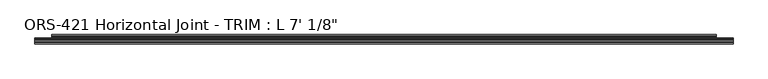
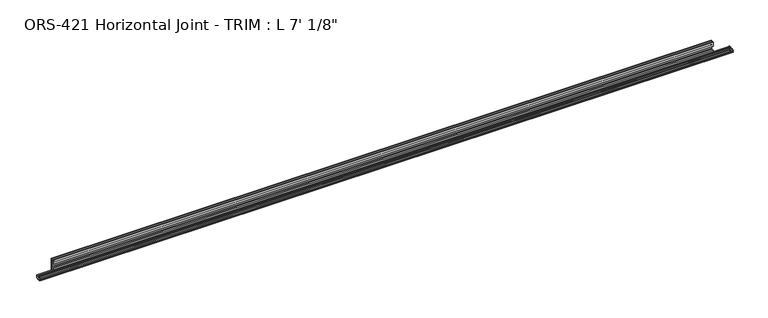
"""IFC4 building model written with IfcOpenShell, lengths in millimetres: proxy geometry."""

from ifc_helpers import new_model, si_unit, frame, origin, place, context, project, spatial, polyline, circle_curve, source, transform, mapped, element, save
from ifc_brep_helpers import plane_surface, cylinder_surface, revolved_surface, advanced_brep


def proxy_16aa1d83(model_context):
    return source(origin(), model_context, "Body", "AdvancedBrep", [
        advanced_brep(
        [(2136.775, -9.5227724, 14.2748961), (2136.775, -11.1103088, 12.7000961), (2136.775, -13.9276212, 12.7000961), (2136.775, -17.0157724, 12.7000961), (2136.775, -21.6311968, 12.7000961), (2136.775, -24.719348, 12.7000961), (2136.775, -28.5727724, 12.7000961), (2136.775, -28.5727724, 10.9764677), (2136.775, -27.3839904, 11.2304677), (2136.775, -26.6022585, 10.9764677), (2136.775, -25.807936, 11.2304677), (2136.775, -25.0262041, 10.9764677), (2136.775, -24.2318817, 11.2304677), (2136.775, -23.4501498, 10.9764677), (2136.775, -22.655827, 11.2304677), (2136.775, -21.8740954, 10.9764677), (2136.775, -21.0797726, 11.2304677), (2136.775, -21.0797726, 7.806928), (2136.775, -21.8740954, 8.060928), (2136.775, -22.655827, 7.806928), (2136.775, -23.4501498, 8.060928), (2136.775, -24.2318817, 7.806928), (2136.775, -25.0262041, 8.060928), (2136.775, -25.807936, 7.806928), (2136.775, -26.6022585, 8.060928), (2136.775, -27.3839904, 7.806928), (2136.775, -28.5727724, 8.0609281), (2136.775, -28.5727724, 6.3372997), (2136.775, -24.719348, 6.3372997), (2136.775, -21.6311968, 6.3372997), (2136.775, -17.0157724, 6.3372997), (2136.775, -13.9276212, 6.3372997), (2136.775, -11.1103088, 6.3372997), (2136.775, -9.5227724, 4.7624997), (0.0, -9.5227724, 4.7624997), (0.0, -11.1103088, 6.3372997), (0.0, -13.9276212, 6.3372997), (0.0, -17.0157724, 6.3372997), (0.0, -21.6311968, 6.3372997), (0.0, -24.719348, 6.3372997), (0.0, -28.5727724, 6.3372997), (0.0, -28.5727724, 8.0609281), (0.0, -27.3839904, 7.806928), (0.0, -26.6022585, 8.060928), (0.0, -25.807936, 7.806928), (0.0, -25.0262041, 8.060928), (0.0, -24.2318817, 7.806928), (0.0, -23.4501498, 8.060928), (0.0, -22.655827, 7.806928), (0.0, -21.8740954, 8.060928), (0.0, -21.0797726, 7.806928), (0.0, -21.0797726, 11.2304677), (0.0, -21.8740954, 10.9764677), (0.0, -22.655827, 11.2304677), (0.0, -23.4501498, 10.9764677), (0.0, -24.2318817, 11.2304677), (0.0, -25.0262041, 10.9764677), (0.0, -25.807936, 11.2304677), (0.0, -26.6022585, 10.9764677), (0.0, -27.3839904, 11.2304677), (0.0, -28.5727724, 10.9764677), (0.0, -28.5727724, 12.7000961), (0.0, -24.719348, 12.7000961), (0.0, -21.6311968, 12.7000961), (0.0, -17.0157724, 12.7000961), (0.0, -13.9276212, 12.7000961), (0.0, -11.1103088, 12.7000961), (0.0, -9.5227724, 14.2748961), (2085.975, -9.5227724, 4.7624997), (2085.975, -9.5227724, 14.2748961), (50.8, -9.5227724, 14.2748961), (50.8, -9.5227724, 4.7624997), (2085.975, -7.2821477, 4.7624997), (2085.975, -5.3863371, 15.8340338), (2085.975, -3.1774988, 15.8340338), (2085.975, -3.1774988, 0.0), (2085.975, 0.0, 0.0), (2085.975, 0.0, 44.8483756), (2085.975, -3.1774988, 44.8483756), (2085.975, -3.1774988, 33.81375), (2085.975, -5.392657, 33.81375), (2085.975, -7.2036308, 44.3898369), (2085.975, -8.3323044, 44.8490303), (2085.975, -9.525, 44.3237531), (2085.975, -9.525, 31.90875), (2085.975, -3.81, 31.90875), (2085.975, -1.905, 30.00375), (2085.975, -1.905, 20.0025), (2085.975, -3.81, 18.0975), (2085.975, -9.5227724, 18.0975), (50.8, -9.5227724, 18.0975), (50.8, -3.81, 18.0975), (50.8, -1.905, 20.0025), (50.8, -1.905, 30.00375), (50.8, -3.81, 31.90875), (50.8, -9.525, 31.90875), (50.8, -9.525, 44.3237531), (50.8, -8.3323044, 44.8490303), (50.8, -7.2036308, 44.3898369), (50.8, -5.392657, 33.81375), (50.8, -3.1774988, 33.81375), (50.8, -3.1774988, 44.8483756), (50.8, 0.0, 44.8483756), (50.8, 0.0, 0.0), (50.8, -3.1774988, 0.0), (50.8, -3.1774988, 15.8340338), (50.8, -5.3863371, 15.8340338), (50.8, -7.2821477, 4.7624997)],
        [
            (0, 1, circle_curve(frame((2136.775, -11.1103088, 14.287684), z_axis=(-1.0, 0.0, 0.0), x_axis=(0.0, 1.0, 0.0)), 1.5875879)),
            (1, 2),
            (2, 3, circle_curve(frame((2136.775, -15.4716968, 12.7000961), z_axis=(1.0, 0.0, 0.0), x_axis=(0.0, 1.0, 0.0)), 1.5440756)),
            (3, 4),
            (4, 5, circle_curve(frame((2136.775, -23.1752724, 12.7000961), z_axis=(1.0, 0.0, 0.0), x_axis=(0.0, 1.0, 0.0)), 1.5440756)),
            (5, 6),
            (6, 7),
            (7, 8),
            (8, 9),
            (9, 10),
            (10, 11),
            (11, 12),
            (12, 13),
            (13, 14),
            (14, 15),
            (15, 16),
            (16, 17, circle_curve(frame((2136.775, -22.0566797, 9.5186979), z_axis=(-1.0, 0.0, 0.0), x_axis=(0.0, 1.0, 0.0)), 1.9709143)),
            (17, 18),
            (18, 19),
            (19, 20),
            (20, 21),
            (21, 22),
            (22, 23),
            (23, 24),
            (24, 25),
            (25, 26),
            (26, 27),
            (27, 28),
            (28, 29, circle_curve(frame((2136.775, -23.1752724, 6.3372997), z_axis=(1.0, 0.0, 0.0), x_axis=(0.0, 1.0, 0.0)), 1.5440756)),
            (29, 30),
            (30, 31, circle_curve(frame((2136.775, -15.4716968, 6.3372997), z_axis=(1.0, 0.0, 0.0), x_axis=(0.0, 1.0, 0.0)), 1.5440756)),
            (31, 32),
            (32, 33, circle_curve(frame((2136.775, -11.1103088, 4.7497118), z_axis=(-1.0, 0.0, 0.0), x_axis=(0.0, 1.0, 0.0)), 1.5875879)),
            (33, 0),
            (34, 35, circle_curve(frame((0.0, -11.1103088, 4.7497118), z_axis=(1.0, 0.0, 0.0), x_axis=(0.0, 1.0, 0.0)), 1.5875879)),
            (35, 36),
            (36, 37, circle_curve(frame((0.0, -15.4716968, 6.3372997), z_axis=(-1.0, 0.0, 0.0), x_axis=(0.0, 1.0, 0.0)), 1.5440756)),
            (37, 38),
            (38, 39, circle_curve(frame((0.0, -23.1752724, 6.3372997), z_axis=(-1.0, 0.0, 0.0), x_axis=(0.0, 1.0, 0.0)), 1.5440756)),
            (39, 40),
            (40, 41),
            (41, 42),
            (42, 43),
            (43, 44),
            (44, 45),
            (45, 46),
            (46, 47),
            (47, 48),
            (48, 49),
            (49, 50),
            (50, 51, circle_curve(frame((0.0, -22.0566797, 9.5186979), z_axis=(1.0, 0.0, 0.0), x_axis=(0.0, 1.0, 0.0)), 1.9709143)),
            (51, 52),
            (52, 53),
            (53, 54),
            (54, 55),
            (55, 56),
            (56, 57),
            (57, 58),
            (58, 59),
            (59, 60),
            (60, 61),
            (61, 62),
            (62, 63, circle_curve(frame((0.0, -23.1752724, 12.7000961), z_axis=(-1.0, 0.0, 0.0), x_axis=(0.0, 1.0, 0.0)), 1.5440756)),
            (63, 64),
            (64, 65, circle_curve(frame((0.0, -15.4716968, 12.7000961), z_axis=(-1.0, 0.0, 0.0), x_axis=(0.0, 1.0, 0.0)), 1.5440756)),
            (65, 66),
            (66, 67, circle_curve(frame((0.0, -11.1103088, 14.287684), z_axis=(1.0, 0.0, 0.0), x_axis=(0.0, 1.0, 0.0)), 1.5875879)),
            (67, 34),
            (68, 69),
            (69, 0),
            (33, 68),
            (70, 71),
            (71, 34),
            (67, 70),
            (68, 72),
            (72, 73),
            (73, 74),
            (74, 75),
            (75, 76),
            (76, 77),
            (77, 78),
            (78, 79),
            (79, 80),
            (80, 81),
            (81, 82, circle_curve(frame((2085.975, -8.3323044, 43.2323228), z_axis=(1.0, 0.0, 0.0), x_axis=(0.0, 1.0, 0.0)), 1.6167075)),
            (82, 83, circle_curve(frame((2085.975, -8.3323044, 43.2323228), z_axis=(1.0, 0.0, 0.0), x_axis=(0.0, 1.0, 0.0)), 1.6167075)),
            (83, 84),
            (84, 85),
            (85, 86, circle_curve(frame((2085.975, -3.81, 30.00375), z_axis=(-1.0, 0.0, 0.0), x_axis=(0.0, 1.0, 0.0)), 1.905)),
            (86, 87),
            (87, 88, circle_curve(frame((2085.975, -3.81, 20.0025), z_axis=(-1.0, 0.0, 0.0), x_axis=(0.0, 1.0, 0.0)), 1.905)),
            (88, 89),
            (89, 69),
            (70, 90),
            (90, 91),
            (91, 92, circle_curve(frame((50.8, -3.81, 20.0025), z_axis=(1.0, 0.0, 0.0), x_axis=(0.0, 1.0, 0.0)), 1.905)),
            (92, 93),
            (93, 94, circle_curve(frame((50.8, -3.81, 30.00375), z_axis=(1.0, 0.0, 0.0), x_axis=(0.0, 1.0, 0.0)), 1.905)),
            (94, 95),
            (95, 96),
            (96, 97, circle_curve(frame((50.8, -8.3323044, 43.2323228), z_axis=(-1.0, 0.0, 0.0), x_axis=(0.0, 1.0, 0.0)), 1.6167075)),
            (97, 98, circle_curve(frame((50.8, -8.3323044, 43.2323228), z_axis=(-1.0, 0.0, 0.0), x_axis=(0.0, 1.0, 0.0)), 1.6167075)),
            (98, 99),
            (99, 100),
            (100, 101),
            (101, 102),
            (102, 103),
            (103, 104),
            (104, 105),
            (105, 106),
            (106, 107),
            (107, 71),
            (83, 96),
            (95, 84),
            (94, 85),
            (93, 86),
            (92, 87),
            (91, 88),
            (90, 89),
            (70, 69),
            (66, 1),
            (65, 2),
            (64, 3),
            (63, 4),
            (62, 5),
            (61, 6),
            (60, 7),
            (59, 8),
            (58, 9),
            (57, 10),
            (56, 11),
            (55, 12),
            (54, 13),
            (53, 14),
            (52, 15),
            (51, 16),
            (50, 17),
            (49, 18),
            (48, 19),
            (47, 20),
            (46, 21),
            (45, 22),
            (44, 23),
            (43, 24),
            (42, 25),
            (41, 26),
            (40, 27),
            (39, 28),
            (38, 29),
            (37, 30),
            (36, 31),
            (35, 32),
            (71, 68),
            (107, 72),
            (106, 73),
            (105, 74),
            (104, 75),
            (103, 76),
            (102, 77),
            (101, 78),
            (100, 79),
            (99, 80),
            (98, 81),
        ],
        [
            plane_surface(frame((2136.775, -9.525, 44.3237531), z_axis=(1.0, 0.0, 0.0), x_axis=(0.0, 0.0, -1.0))),
            plane_surface(frame((0.0, -9.525, 44.3237531), z_axis=(-1.0, 0.0, 0.0), x_axis=(0.0, 0.0, 1.0))),
            plane_surface(frame((2085.975, -9.5227724, 44.8490303), z_axis=(0.0, 1.0, 0.0), x_axis=(0.0, 0.0, -1.0))),
            plane_surface(frame((2085.975, -9.5227724, 44.8490303), z_axis=(1.0, 0.0, 0.0), x_axis=(0.0, 1.0, 0.0))),
            plane_surface(frame((50.8, -9.5227724, 0.0), z_axis=(-1.0, 0.0, 0.0), x_axis=(0.0, 1.0, 0.0))),
            plane_surface(frame((2136.775, -9.525, 44.3237531), z_axis=(0.0, -1.0, 0.0), x_axis=(-1.0, 0.0, 0.0))),
            plane_surface(frame((2136.775, -9.525, 31.90875), z_axis=(0.0, 0.0, -1.0), x_axis=(-1.0, 0.0, 0.0))),
            revolved_surface(polyline([(50.8, -1.905, 30.00375), (2085.975, -1.905, 30.00375)]), (0.0, -3.81, 30.00375), (-1.0, 0.0, 0.0)),
            plane_surface(frame((2136.775, -1.905, 30.00375), z_axis=(0.0, -1.0, 0.0), x_axis=(-1.0, 0.0, 0.0))),
            revolved_surface(polyline([(50.8, -1.905, 20.0025), (2085.975, -1.905, 20.0025)]), (0.0, -3.81, 20.0025), (-1.0, 0.0, 0.0)),
            plane_surface(frame((2136.775, -3.81, 18.0975), z_axis=(0.0, 0.0, 1.0), x_axis=(-1.0, 0.0, 0.0))),
            plane_surface(frame((2136.775, -9.5227724, 18.0975), z_axis=(0.0, -1.0, 0.0), x_axis=(-1.0, 0.0, 0.0))),
            revolved_surface(polyline([(0.0, -9.5227209, 14.287684), (2136.775, -9.5227209, 14.287684)]), (0.0, -11.1103088, 14.287684), (-1.0, 0.0, 0.0)),
            plane_surface(frame((2136.775, -11.1103088, 12.7000961), z_axis=(0.0, 0.0, 1.0), x_axis=(-1.0, 0.0, 0.0))),
            cylinder_surface(frame((0.0, -15.4716968, 12.7000961), z_axis=(1.0, 0.0, 0.0), x_axis=(0.0, 1.0, 0.0)), 1.5440756),
            plane_surface(frame((2136.775, -17.0157724, 12.7000961), z_axis=(0.0, 2.5125332435120043e-12, 1.0), x_axis=(-1.0, 0.0, 0.0))),
            cylinder_surface(frame((0.0, -23.1752724, 12.7000961), z_axis=(1.0, 0.0, 0.0), x_axis=(0.0, 1.0, 0.0)), 1.5440756),
            plane_surface(frame((2136.775, -24.719348, 12.7000961), z_axis=(0.0, 3.0258427879761502e-12, 1.0), x_axis=(-1.0, 0.0, 0.0))),
            plane_surface(frame((2136.775, -28.5727724, 12.7000961), z_axis=(0.0, -1.0, 0.0), x_axis=(-1.0, 0.0, 0.0))),
            plane_surface(frame((2136.775, -28.5727724, 10.9764677), z_axis=(0.0, 0.20894784040333542, -0.9779267866209527), x_axis=(-1.0, 0.0, 0.0))),
            plane_surface(frame((2136.775, -27.3839904, 11.2304677), z_axis=(0.0, -0.30901689684287886, -0.9510565479852382), x_axis=(-1.0, 0.0, 0.0))),
            plane_surface(frame((2136.775, -26.6022585, 10.9764677), z_axis=(0.0, 0.30457645188190946, -0.9524878922899896), x_axis=(-1.0, 0.0, 0.0))),
            plane_surface(frame((2136.775, -25.807936, 11.2304677), z_axis=(0.0, -0.3090168968428797, -0.9510565479852379), x_axis=(-1.0, 0.0, 0.0))),
            plane_surface(frame((2136.775, -25.0262041, 10.9764677), z_axis=(0.0, 0.3045764518819082, -0.9524878922899901), x_axis=(-1.0, 0.0, 0.0))),
            plane_surface(frame((2136.775, -24.2318817, 11.2304677), z_axis=(0.0, -0.3090168968428797, -0.9510565479852379), x_axis=(-1.0, 0.0, 0.0))),
            plane_surface(frame((2136.775, -23.4501498, 10.9764677), z_axis=(0.0, 0.30457635699014574, -0.9524879226334638), x_axis=(-1.0, 0.0, 0.0))),
            plane_surface(frame((2136.775, -22.655827, 11.2304677), z_axis=(0.0, -0.30901699437495134, -0.9510565162951523), x_axis=(-1.0, 0.0, 0.0))),
            plane_surface(frame((2136.775, -21.8740954, 10.9764677), z_axis=(0.0, 0.30457635699014957, -0.9524879226334626), x_axis=(-1.0, 0.0, 0.0))),
            revolved_surface(polyline([(0.0, -20.0857654, 9.5186979), (2136.775, -20.0857654, 9.5186979)]), (0.0, -22.0566797, 9.5186979), (-1.0, 0.0, 0.0)),
            plane_surface(frame((2136.775, -21.0797726, 7.806928), z_axis=(0.0, 0.30457635699015473, 0.9524879226334609), x_axis=(-1.0, 0.0, 0.0))),
            plane_surface(frame((2136.775, -21.8740954, 8.060928), z_axis=(0.0, -0.309016994374944, 0.9510565162951548), x_axis=(-1.0, 0.0, 0.0))),
            plane_surface(frame((2136.775, -22.655827, 7.806928), z_axis=(0.0, 0.3045763569901553, 0.9524879226334608), x_axis=(-1.0, 0.0, 0.0))),
            plane_surface(frame((2136.775, -23.4501498, 8.060928), z_axis=(0.0, -0.30901689684287503, 0.9510565479852395), x_axis=(-1.0, 0.0, 0.0))),
            plane_surface(frame((2136.775, -24.2318817, 7.806928), z_axis=(0.0, 0.3045764518819151, 0.9524878922899879), x_axis=(-1.0, 0.0, 0.0))),
            plane_surface(frame((2136.775, -25.0262041, 8.060928), z_axis=(0.0, -0.3090168968428747, 0.9510565479852396), x_axis=(-1.0, 0.0, 0.0))),
            plane_surface(frame((2136.775, -25.807936, 7.806928), z_axis=(0.0, 0.30457645188191784, 0.952487892289987), x_axis=(-1.0, 0.0, 0.0))),
            plane_surface(frame((2136.775, -26.6022585, 8.060928), z_axis=(0.0, -0.30901689684287387, 0.9510565479852398), x_axis=(-1.0, 0.0, 0.0))),
            plane_surface(frame((2136.775, -27.3839904, 7.806928), z_axis=(0.0, 0.20894784040334335, 0.977926786620951), x_axis=(-1.0, 0.0, 0.0))),
            plane_surface(frame((2136.775, -28.5727724, 8.0609281), z_axis=(0.0, -1.0, 0.0), x_axis=(-1.0, 0.0, 0.0))),
            plane_surface(frame((2136.775, -28.5727724, 6.3372997), z_axis=(0.0, 3.0220007964079006e-12, -1.0), x_axis=(-1.0, 0.0, 0.0))),
            cylinder_surface(frame((0.0, -23.1752724, 6.3372997), z_axis=(1.0, 0.0, 0.0), x_axis=(0.0, 1.0, 0.0)), 1.5440756),
            plane_surface(frame((2136.775, -21.6311968, 6.3372997), z_axis=(0.0, 0.0, -1.0), x_axis=(-1.0, 0.0, 0.0))),
            cylinder_surface(frame((0.0, -15.4716968, 6.3372997), z_axis=(1.0, 0.0, 0.0), x_axis=(0.0, 1.0, 0.0)), 1.5440756),
            plane_surface(frame((2136.775, -13.9276212, 6.3372997), z_axis=(0.0, 0.0, -1.0), x_axis=(-1.0, 0.0, 0.0))),
            revolved_surface(polyline([(0.0, -9.5227209, 4.7497118), (2136.775, -9.5227209, 4.7497118)]), (0.0, -11.1103088, 4.7497118), (-1.0, 0.0, 0.0)),
            plane_surface(frame((2136.775, -9.5227724, 4.7624997), z_axis=(0.0, 0.0, -1.0), x_axis=(-1.0, 0.0, 0.0))),
            plane_surface(frame((2136.775, -7.2821477, 4.7624997), z_axis=(0.0, 0.9856543593999756, -0.16877643139912585), x_axis=(-1.0, 0.0, 0.0))),
            plane_surface(frame((2136.775, -5.3863371, 15.8340338), z_axis=(0.0, 0.0, -1.0), x_axis=(-1.0, 0.0, 0.0))),
            plane_surface(frame((2136.775, -3.1774988, 15.8340338), z_axis=(0.0, -1.0, 0.0), x_axis=(-1.0, 0.0, 0.0))),
            plane_surface(frame((2136.775, -3.1774988, 0.0), z_axis=(0.0, 0.0, -1.0), x_axis=(-1.0, 0.0, 0.0))),
            plane_surface(frame((2136.775, 0.0, 0.0), z_axis=(0.0, 1.0, 0.0), x_axis=(-1.0, 0.0, 0.0))),
            plane_surface(frame((2136.775, 0.0, 44.8483756), z_axis=(0.0, 0.0, 1.0), x_axis=(-1.0, 0.0, 0.0))),
            plane_surface(frame((2136.775, -3.1774988, 44.8483756), z_axis=(0.0, -1.0, 0.0), x_axis=(-1.0, 0.0, 0.0))),
            plane_surface(frame((2136.775, -3.1774988, 33.81375), z_axis=(0.0, 0.0, 1.0), x_axis=(-1.0, 0.0, 0.0))),
            plane_surface(frame((2136.775, -5.392657, 33.81375), z_axis=(0.0, 0.9856543593994344, 0.16877643140228668), x_axis=(-1.0, 0.0, 0.0))),
            cylinder_surface(frame((0.0, -8.3323044, 43.2323228), z_axis=(1.0, 0.0, 0.0), x_axis=(0.0, 1.0, 0.0)), 1.6167075),
        ],
        [
            (0, [[1, 2, 3, 4, 5, 6, 7, 8, 9, 10, 11, 12, 13, 14, 15, 16, 17, 18, 19, 20, 21, 22, 23, 24, 25, 26, 27, 28, 29, 30, 31, 32, 33, 34]]),
            (1, [[35, 36, 37, 38, 39, 40, 41, 42, 43, 44, 45, 46, 47, 48, 49, 50, 51, 52, 53, 54, 55, 56, 57, 58, 59, 60, 61, 62, 63, 64, 65, 66, 67, 68]]),
            (2, [[69, 70, -34, 71]]),
            (2, [[72, 73, -68, 74]]),
            (3, [[-69, 75, 76, 77, 78, 79, 80, 81, 82, 83, 84, 85, 86, 87, 88, 89, 90, 91, 92, 93]]),
            (4, [[-72, 94, 95, 96, 97, 98, 99, 100, 101, 102, 103, 104, 105, 106, 107, 108, 109, 110, 111, 112]]),
            (5, [[113, -100, 114, -87]]),
            (6, [[-114, -99, 115, -88]]),
            (7, [[-115, -98, 116, -89]]),
            (8, [[-116, -97, 117, -90]]),
            (9, [[-117, -96, 118, -91]]),
            (10, [[-118, -95, 119, -92]]),
            (11, [[-119, -94, 120, -93]]),
            (12, [[-1, -70, -120, -74, -67, 121]]),
            (13, [[-2, -121, -66, 122]]),
            (14, [[-3, -122, -65, 123]]),
            (15, [[-4, -123, -64, 124]]),
            (16, [[-5, -124, -63, 125]]),
            (17, [[-6, -125, -62, 126]]),
            (18, [[-7, -126, -61, 127]]),
            (19, [[-8, -127, -60, 128]]),
            (20, [[-9, -128, -59, 129]]),
            (21, [[-10, -129, -58, 130]]),
            (22, [[-11, -130, -57, 131]]),
            (23, [[-12, -131, -56, 132]]),
            (24, [[-13, -132, -55, 133]]),
            (25, [[-14, -133, -54, 134]]),
            (26, [[-15, -134, -53, 135]]),
            (27, [[-16, -135, -52, 136]]),
            (28, [[-17, -136, -51, 137]]),
            (29, [[-18, -137, -50, 138]]),
            (30, [[-19, -138, -49, 139]]),
            (31, [[-20, -139, -48, 140]]),
            (32, [[-21, -140, -47, 141]]),
            (33, [[-22, -141, -46, 142]]),
            (34, [[-23, -142, -45, 143]]),
            (35, [[-24, -143, -44, 144]]),
            (36, [[-25, -144, -43, 145]]),
            (37, [[-26, -145, -42, 146]]),
            (38, [[-27, -146, -41, 147]]),
            (39, [[-28, -147, -40, 148]]),
            (40, [[-29, -148, -39, 149]]),
            (41, [[-30, -149, -38, 150]]),
            (42, [[-31, -150, -37, 151]]),
            (43, [[-32, -151, -36, 152]]),
            (44, [[-33, -152, -35, -73, 153, -71]]),
            (45, [[-153, -112, 154, -75]]),
            (46, [[-154, -111, 155, -76]]),
            (47, [[-155, -110, 156, -77]]),
            (48, [[-156, -109, 157, -78]]),
            (49, [[-157, -108, 158, -79]]),
            (50, [[-158, -107, 159, -80]]),
            (51, [[-159, -106, 160, -81]]),
            (52, [[-160, -105, 161, -82]]),
            (53, [[-161, -104, 162, -83]]),
            (54, [[-162, -103, 163, -84]]),
            (55, [[-113, -86, -85, -163, -102, -101]]),
        ],
    ),
    ])


if __name__ == "__main__":
    model = new_model("IFC4")
    model_context = context("Model", 3, world=origin())
    ifc_project = project(units=[si_unit("LENGTHUNIT", "METRE", prefix="MILLI")], contexts=[model_context])
    site = spatial("IfcSite", under=ifc_project)
    building = spatial("IfcBuilding", under=site)
    placement = place(None, origin())
    proxy_shape = proxy_16aa1d83(model_context)
    element("IfcBuildingElementProxy", 1, Name="ORS-421 Horizontal Joint - TRIM : L 7' 1/8\"", ObjectType="ORS-421 Horizontal Joint - TRIM : L 7' 1/8\"", at=placement, inside=building, context=model_context, shape_type="MappedRepresentation", body=[
        mapped(proxy_shape, transform((0.0, 0.0, 0.0), x_axis=(1.0, 0.0, 0.0), y_axis=(0.0, 1.0, 0.0), z_axis=(0.0, 0.0, 1.0))),
    ])
    save(model, "model.ifc")
